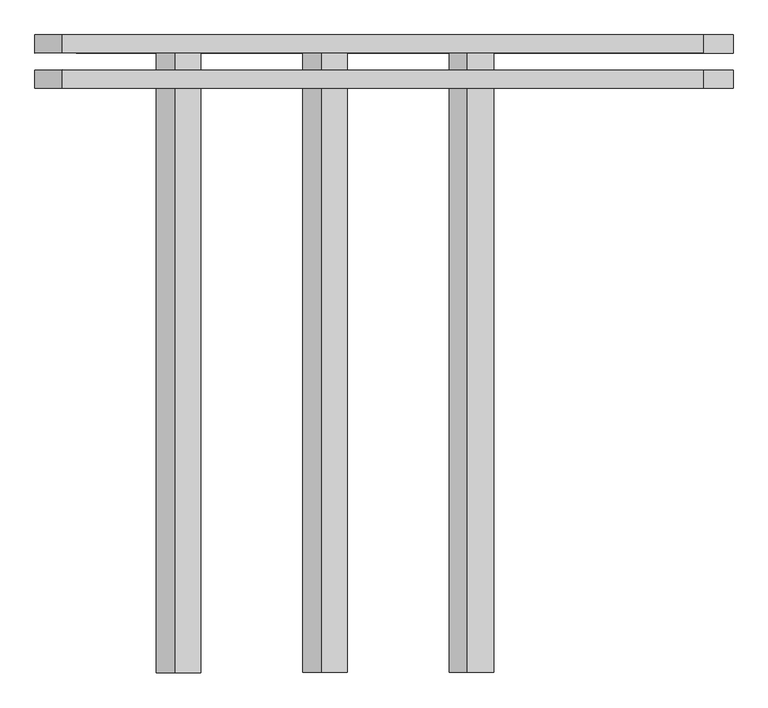
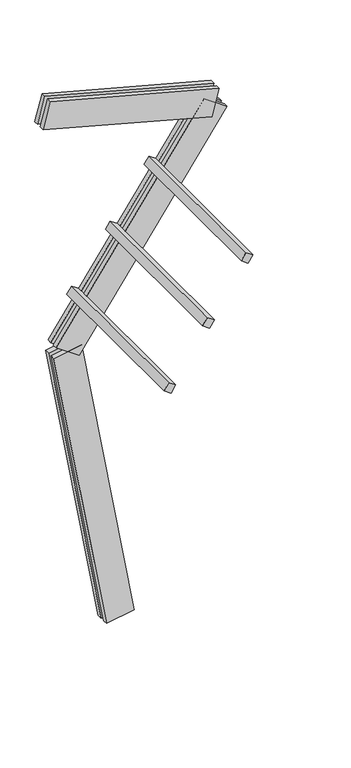
"""IFC4 building model written with IfcOpenShell, lengths in millimetres: proxy geometry."""

from ifc_helpers import new_model, si_unit, frame, origin, place, context, project, spatial, polyline, outline, extrude, source, transform, mapped, element, save


def generic_models_215a13e6(model_context):
    return source(origin(), model_context, "Body", "SweptSolid", [
        extrude(outline(polyline([(0.0, -1500.0), (0.0, 0.0), (75.0, 0.0), (75.0, -1500.0), (0.0, -1500.0)])), frame((-403.249914, 62.5, 3101.3570381), z_axis=(0.5735764363510469, 0.0, 0.8191520442889914), x_axis=(0.8191520442889914, 0.0, -0.5735764363510469)), (0.0, 0.0, 1.0), 75.0),
        extrude(outline(polyline([(0.0, -1500.0), (0.0, 0.0), (75.0, 0.0), (75.0, -1500.0), (0.0, -1500.0)])), frame((-59.1040522, 62.5, 3592.8482647), z_axis=(0.5735764363510469, 0.0, 0.8191520442889914), x_axis=(0.8191520442889914, 0.0, -0.5735764363510469)), (0.0, 0.0, 1.0), 75.0),
        extrude(outline(polyline([(0.0, -1500.0), (0.0, 0.0), (75.0, 0.0), (75.0, -1500.0), (0.0, -1500.0)])), frame((285.0418096, 62.5, 4084.3394913), z_axis=(0.5735764363510469, 0.0, 0.8191520442889914), x_axis=(0.8191520442889914, 0.0, -0.5735764363510469)), (0.0, 0.0, 1.0), 75.0),
        extrude(outline(polyline([(1560.0, -125.0), (0.0, -125.0), (0.0, -82.5), (1560.0, -82.5), (1560.0, -125.0)])), frame((818.0233433, -62.5, 4422.2899067), z_axis=(0.25881904510252385, 0.0, 0.9659258262890675), x_axis=(-0.9659258262890675, 0.0, 0.25881904510252385)), (0.0, 0.0, 1.0), 250.0),
        extrude(outline(polyline([(0.0, 0.0), (1560.0, 0.0), (1560.0, -42.5), (0.0, -42.5), (0.0, 0.0)])), frame((818.0233433, -62.5, 4422.2899067), z_axis=(0.25881904510252385, 0.0, 0.9659258262890675), x_axis=(-0.9659258262890675, 0.0, 0.25881904510252385)), (0.0, 0.0, 1.0), 250.0),
        extrude(outline(polyline([(-125.0, -249.9999999), (-125.0, 0.0), (-82.5, 0.0), (-82.5, -249.9999999), (-125.0, -249.9999999)])), frame((-366.4560742, -62.5, 2587.2838786), z_axis=(0.5735764363510469, 0.0, 0.8191520442889914), x_axis=(0.0, -1.0, 0.0)), (0.0, 0.0, 1.0), 2300.0),
        extrude(outline(polyline([(0.0, 0.0), (0.0, -249.9999999), (-42.5, -249.9999999), (-42.5, 0.0), (0.0, 0.0)])), frame((-366.4560742, -62.5, 2587.2838786), z_axis=(0.5735764363510469, 0.0, 0.8191520442889914), x_axis=(0.0, -1.0, 0.0)), (0.0, 0.0, 1.0), 2300.0),
        extrude(outline(polyline([(-125.0, -249.9999999), (-125.0, 0.0), (-82.5, 0.0), (-82.5, -249.9999999), (-125.0, -249.9999999)])), frame((123.1009691, -62.5, 21.7060222), z_axis=(-0.17364817766693158, 0.0, 0.9848077530122079), x_axis=(0.0, -1.0, 0.0)), (0.0, 0.0, 1.0), 2700.0),
        extrude(outline(polyline([(0.0, 0.0), (0.0, -249.9999999), (-42.5, -249.9999999), (-42.5, 0.0), (0.0, 0.0)])), frame((123.1009691, -62.5, 21.7060222), z_axis=(-0.17364817766693158, 0.0, 0.9848077530122079), x_axis=(0.0, -1.0, 0.0)), (0.0, 0.0, 1.0), 2700.0),
    ])


if __name__ == "__main__":
    model = new_model("IFC4")
    model_context = context("Model", 3, world=origin())
    ifc_project = project(units=[si_unit("LENGTHUNIT", "METRE", prefix="MILLI")], contexts=[model_context])
    site = spatial("IfcSite", under=ifc_project)
    building = spatial("IfcBuilding", under=site)
    placement = place(None, origin())
    generic_models_shape = generic_models_215a13e6(model_context)
    element("IfcBuildingElementProxy", 1, Name="Generic Models", at=placement, inside=building, context=model_context, shape_type="MappedRepresentation", body=[
        mapped(generic_models_shape, transform((0.0, 0.0, 0.0), x_axis=(1.0, 0.0, 0.0), y_axis=(0.0, 1.0, 0.0), z_axis=(0.0, 0.0, 1.0))),
    ])
    save(model, "model.ifc")
